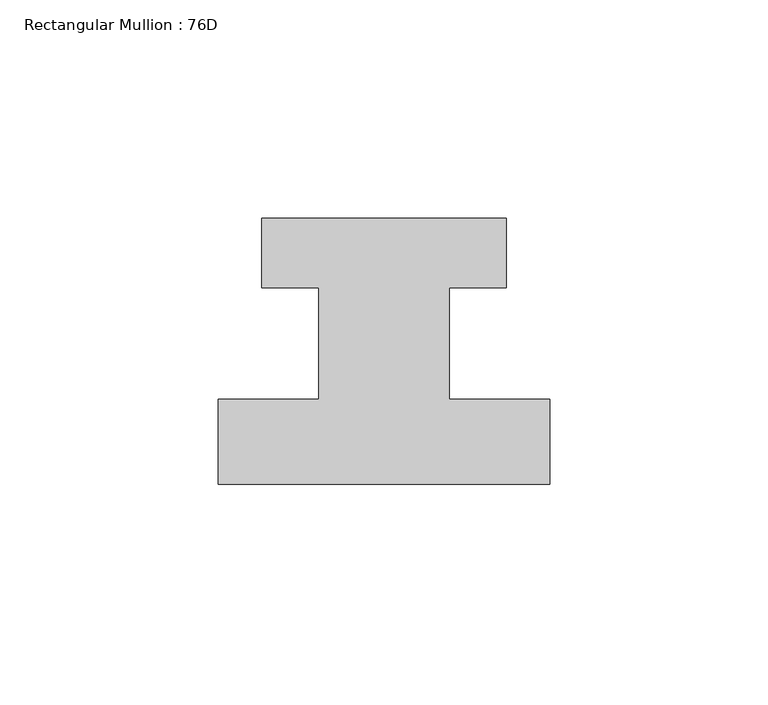
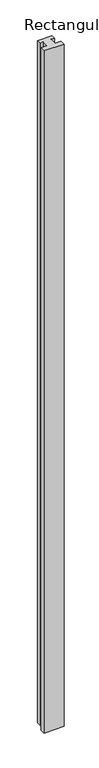
"""IFC4 building model written with IfcOpenShell, lengths in millimetres: member geometry, Rectangular Mullion : 76D."""

from ifc_helpers import new_model, si_unit, frame, origin, place, context, project, spatial, polyline, outline, extrude, source, transform, mapped, element, save


def rectangular_mullion_76d_246b5bec(model_context):
    return source(origin(), model_context, "Body", "SweptSolid", [
        extrude(outline(polyline([(38.0, -20.0), (-38.0, -20.0), (-38.0, -0.5), (-15.0, -0.5), (-15.0, 25.0), (-28.0, 25.0), (-28.0, 41.0), (28.0, 41.0), (28.0, 25.0), (15.0, 25.0), (15.0, -0.5), (38.0, -0.5), (38.0, -20.0)])), frame((0.0, 0.0, -2724.0), z_axis=(0.0, 0.0, 1.0), x_axis=(1.0, 0.0, 0.0)), (0.0, 0.0, 1.0), 2724.0),
    ])


if __name__ == "__main__":
    model = new_model("IFC4")
    model_context = context("Model", 3, world=origin())
    ifc_project = project(units=[si_unit("LENGTHUNIT", "METRE", prefix="MILLI")], contexts=[model_context])
    site = spatial("IfcSite", under=ifc_project)
    building = spatial("IfcBuilding", under=site)
    placement = place(None, origin())
    rectangular_mullion_76d_shape = rectangular_mullion_76d_246b5bec(model_context)
    element("IfcMember", 1, ObjectType="Rectangular Mullion : 76D", at=placement, inside=building, context=model_context, shape_type="MappedRepresentation", body=[
        mapped(rectangular_mullion_76d_shape, transform((0.0, 0.0, 0.0), x_axis=(1.0, 0.0, 0.0), y_axis=(0.0, 1.0, 0.0), z_axis=(0.0, 0.0, 1.0))),
    ])
    save(model, "model.ifc")
